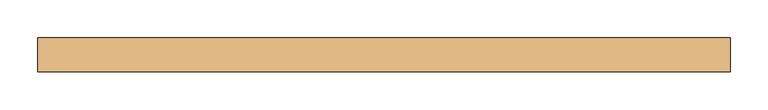
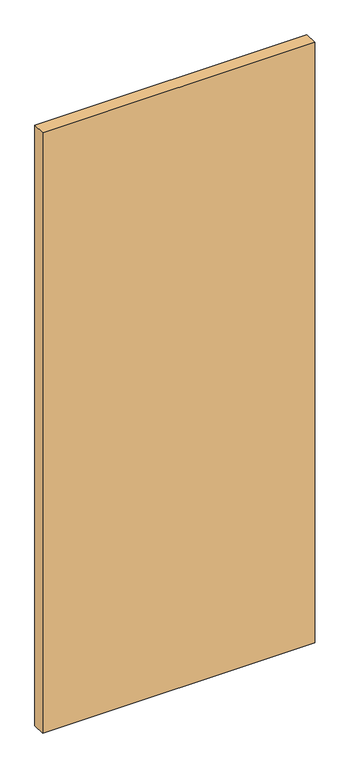
"""IFC4 building model written with IfcOpenShell, lengths in millimetres: door geometry."""

from ifc_helpers import new_model, si_unit, origin, origin_with_axes, place, context, project, spatial, polyline, outline, extrude, source, transform, mapped, element, save


def door_783be8ac(model_context):
    return source(origin(), model_context, "Body", "SweptSolid", [
        extrude(outline(polyline([(-457.2, -22.225), (-457.2, 22.225), (457.2, 22.225), (457.2, -22.225), (-457.2, -22.225)])), origin_with_axes(), (0.0, 0.0, 1.0), 2133.6),
    ])


if __name__ == "__main__":
    model = new_model("IFC4")
    model_context = context("Model", 3, world=origin())
    ifc_project = project(units=[si_unit("LENGTHUNIT", "METRE", prefix="MILLI")], contexts=[model_context])
    site = spatial("IfcSite", under=ifc_project)
    building = spatial("IfcBuilding", under=site)
    placement = place(None, origin())
    door_shape = door_783be8ac(model_context)
    element("IfcDoor", 1, at=placement, inside=building, context=model_context, shape_type="MappedRepresentation", body=[
        mapped(door_shape, transform((0.0, 0.0, 0.0), x_axis=(1.0, 0.0, 0.0), y_axis=(0.0, 1.0, 0.0), z_axis=(0.0, 0.0, 1.0))),
    ])
    save(model, "model.ifc")
